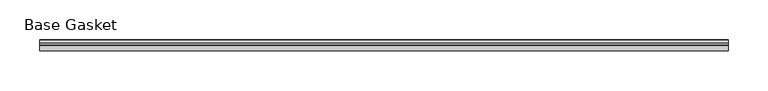
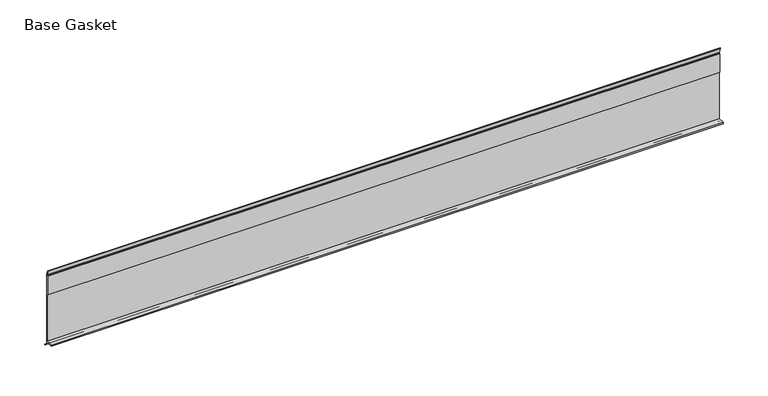
"""IFC4 building model written with IfcOpenShell, lengths in millimetres: furniture geometry, Base Gasket."""

from ifc_helpers import new_model, si_unit, frame, origin, place, context, project, spatial, polyline, outline, extrude, source, transform, mapped, element, save


def base_gasket_4f987517(model_context):
    return source(origin(), model_context, "Body", "SweptSolid", [
        extrude(outline(polyline([(3.7283812, 98.4568417), (3.7283812, 4.3498477), (7.4222115, 0.6560174), (7.8482342, 0.0), (6.8281054, 0.3520979), (2.2043812, 4.3498477), (2.1334222, 6.3818476), (-6.2405171, 6.3818476), (-6.2405171, 7.9398773), (2.2043812, 7.9398773), (2.2043812, 71.4693447), (1.4106313, 71.4693447), (1.4106313, 96.8693477), (2.2043812, 96.8693477), (2.2043812, 98.4568417), (0.6755308, 104.4162708), (0.6755308, 105.2002997), (1.1891543, 104.587663), (3.7283812, 98.4568417)])), frame((-1527.8982117, 0.0, 0.0), z_axis=(1.0, 0.0, 0.0), x_axis=(0.0, 1.0, 0.0)), (0.0, 0.0, 1.0), 866.1590981),
    ])


if __name__ == "__main__":
    model = new_model("IFC4")
    model_context = context("Model", 3, world=origin())
    ifc_project = project(units=[si_unit("LENGTHUNIT", "METRE", prefix="MILLI")], contexts=[model_context])
    site = spatial("IfcSite", under=ifc_project)
    building = spatial("IfcBuilding", under=site)
    placement = place(None, origin())
    base_gasket_shape = base_gasket_4f987517(model_context)
    element("IfcFurniture", 1, ObjectType="Base Gasket", at=placement, inside=building, context=model_context, shape_type="MappedRepresentation", body=[
        mapped(base_gasket_shape, transform((0.0, 0.0, 0.0), x_axis=(1.0, 0.0, 0.0), y_axis=(0.0, 1.0, 0.0), z_axis=(0.0, 0.0, 1.0))),
    ])
    save(model, "model.ifc")
